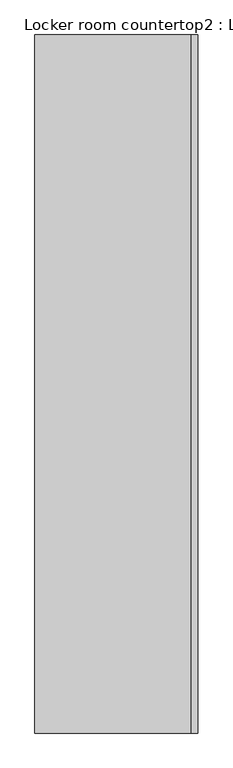
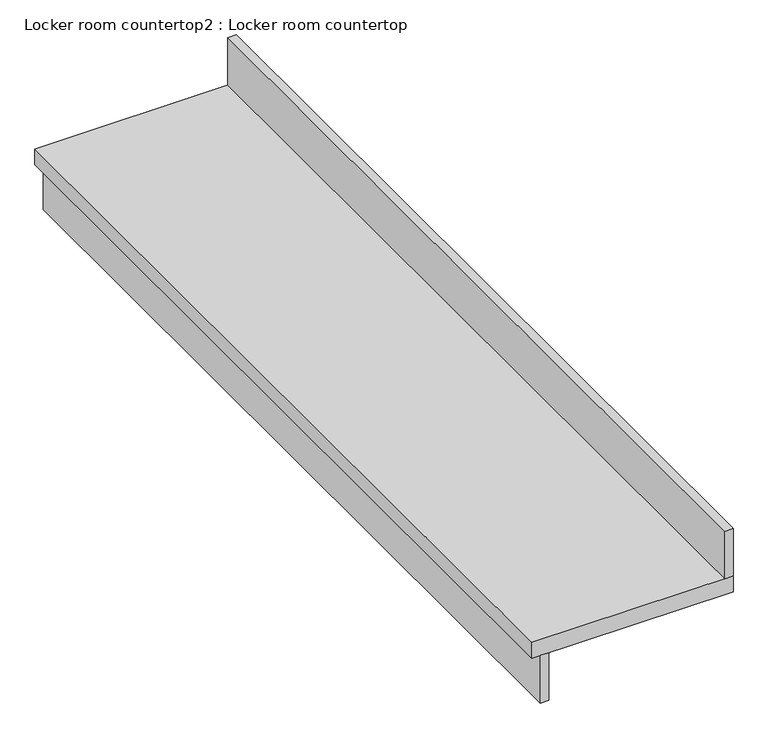
"""IFC4 building model written with IfcOpenShell, lengths in millimetres: furniture geometry, Locker room countertop2 : Locker room countertop."""

from ifc_helpers import new_model, si_unit, frame, origin, place, context, project, spatial, polyline, outline, extrude, source, transform, mapped, element, save


def locker_room_countertop2_locker_room_countertop_97d96571(model_context):
    return source(origin(), model_context, "Body", "SweptSolid", [
        extrude(outline(polyline([(323108.4254676, -266403.9455223), (323108.4254676, -263794.0955223), (323133.8254676, -263794.0955223), (323133.8254676, -266403.9455223), (323108.4254676, -266403.9455223)])), frame((0.0, 0.0, 660.4), z_axis=(0.0, 0.0, 1.0), x_axis=(1.0, 0.0, 0.0)), (0.0, 0.0, 1.0), 152.4),
        extrude(outline(polyline([(323667.2254676, -263794.0955223), (323692.6254676, -263794.0955223), (323692.6254676, -266403.9455223), (323667.2254676, -266403.9455223), (323667.2254676, -263794.0955223)])), frame((0.0, 0.0, 863.6), z_axis=(0.0, 0.0, 1.0), x_axis=(1.0, 0.0, 0.0)), (0.0, 0.0, 1.0), 152.4),
        extrude(outline(polyline([(323083.0254676, -263794.0955223), (323692.6254676, -263794.0955223), (323692.6254676, -266403.9455223), (323083.0254676, -266403.9455223), (323083.0254676, -263794.0955223)])), frame((0.0, 0.0, 812.8), z_axis=(0.0, 0.0, 1.0), x_axis=(1.0, 0.0, 0.0)), (0.0, 0.0, 1.0), 50.8),
    ])


if __name__ == "__main__":
    model = new_model("IFC4")
    model_context = context("Model", 3, world=origin())
    ifc_project = project(units=[si_unit("LENGTHUNIT", "METRE", prefix="MILLI")], contexts=[model_context])
    site = spatial("IfcSite", under=ifc_project)
    building = spatial("IfcBuilding", under=site)
    placement = place(None, origin())
    locker_room_countertop2_locker_room_countertop_shape = locker_room_countertop2_locker_room_countertop_97d96571(model_context)
    element("IfcFurniture", 1, ObjectType="Locker room countertop2 : Locker room countertop", at=placement, inside=building, context=model_context, shape_type="MappedRepresentation", body=[
        mapped(locker_room_countertop2_locker_room_countertop_shape, transform((0.0, 0.0, 0.0), x_axis=(1.0, 0.0, 0.0), y_axis=(0.0, 1.0, 0.0), z_axis=(0.0, 0.0, 1.0))),
    ])
    save(model, "model.ifc")
